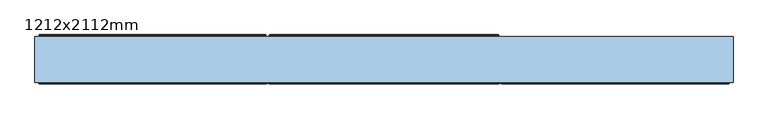
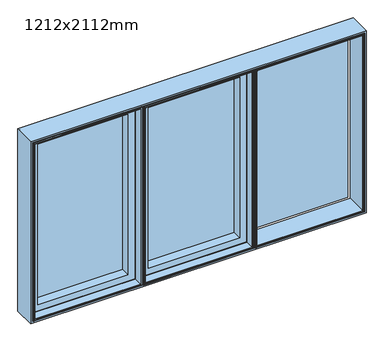
"""IFC4 building model written with IfcOpenShell, lengths in millimetres: window geometry, 1212x2112mm."""

from ifc_helpers import new_model, si_unit, frame, origin, place, context, project, spatial, polyline, ellipse_curve, outline, extrude, faceted_brep, source, transform, mapped, element, save
from ifc_brep_helpers import plane_surface, cylinder_surface, revolved_surface, advanced_brep


def window_1212x2112mm_27fde237(model_context):
    return source(origin(), model_context, "Body", "SolidModel", [
        advanced_brep(
        [(-347.0, 152.5000018, 1999.0), (-345.5000001, 154.0000016, 1997.5000001), (-345.5000001, 154.0000016, 814.4999999), (-347.0, 152.5000018, 813.0), (-347.0, 148.3866107, 813.0), (-347.0, 148.3866107, 1999.0), (-348.0, 148.3866107, 2000.0), (-348.0, 148.3866107, 812.0), (-348.0, 146.5000019, 812.0), (-348.0, 146.5000019, 2000.0), (-310.0, 146.5000019, 1962.0), (-310.0, 142.5000017, 1962.0), (-310.0, 142.5000017, 850.0), (-310.0, 146.5000019, 850.0), (-291.5192538, 147.4871074, 1943.5192538), (-291.4938789, 146.5000019, 1943.4938789), (-291.4938789, 146.5000019, 868.5061211), (-291.5192538, 147.4871074, 868.4807462), (-293.5962483, 148.7951832, 866.4037517), (-293.5962483, 148.7951832, 1945.5962483), (-294.0, 149.7544748, 866.0), (-294.0, 149.7544748, 1946.0), (-294.0, 153.0000016, 866.0), (-294.0, 153.0000016, 1946.0), (-294.5, 153.5000016, 865.5), (-294.5, 153.5000016, 1946.5), (-310.514074, 154.0000016, 1962.514074), (-309.8, 153.5000016, 1961.8), (-309.8, 153.5000016, 850.2), (-310.514074, 154.0000016, 849.485926), (345.5000001, 154.0000016, 814.4999999), (347.0, 152.5000018, 813.0), (347.0, 148.3866107, 813.0), (348.0, 148.3866107, 812.0), (348.0, 142.5000017, 812.0), (-348.0, 142.5000017, 812.0), (-348.0, 6.7000016, 812.0), (-356.0, 6.7000016, 812.0), (-356.0, 142.5000017, 812.0), (-1044.0, 142.5000017, 812.0), (-1044.0, 148.3866107, 812.0), (-356.0, 148.3866107, 812.0), (-356.0, 146.5000019, 812.0), (310.0, 142.5000017, 850.0), (310.0, 146.5000019, 850.0), (291.4938789, 146.5000019, 868.5061211), (291.5192538, 147.4871074, 868.4807462), (293.5962483, 148.7951832, 866.4037517), (294.0, 149.7544748, 866.0), (294.0, 153.0000016, 866.0), (294.5, 153.5000016, 865.5), (309.8, 153.5000016, 850.2), (310.514074, 154.0000016, 849.485926), (345.5000001, 154.0000016, 1997.5000001), (347.0, 152.5000018, 1999.0), (347.0, 148.3866107, 1999.0), (348.0, 148.3866107, 2000.0), (348.0, 142.5000017, 2000.0), (310.0, 142.5000017, 1962.0), (310.0, 146.5000019, 1962.0), (291.4938789, 146.5000019, 1943.4938789), (291.5192538, 147.4871074, 1943.5192538), (293.5962483, 148.7951832, 1945.5962483), (294.0, 149.7544748, 1946.0), (294.0, 153.0000016, 1946.0), (294.5, 153.5000016, 1946.5), (309.8, 153.5000016, 1961.8), (310.514074, 154.0000016, 1962.514074), (-356.0, 146.5000019, 2000.0), (-356.0, 148.3866107, 2000.0), (-1044.0, 148.3866107, 2000.0), (-1044.0, 142.5000017, 2000.0), (-356.0, 142.5000017, 2000.0), (-356.0, 6.7000016, 2000.0), (-348.0, 6.7000016, 2000.0), (-348.0, 142.5000017, 2000.0), (-1043.0, 152.5000018, 1999.0), (-1041.5000001, 154.0000016, 1997.5000001), (-1041.5000001, 154.0000016, 814.4999999), (-1043.0, 152.5000018, 813.0), (-1043.0, 148.3866107, 813.0), (-1043.0, 148.3866107, 1999.0), (-1006.0, 146.5000019, 1962.0), (-1006.0, 142.5000017, 1962.0), (-1006.0, 142.5000017, 850.0), (-1006.0, 146.5000019, 850.0), (-987.5192538, 147.4871074, 1943.5192538), (-987.4938789, 146.5000019, 1943.4938789), (-987.4938789, 146.5000019, 868.5061211), (-987.5192538, 147.4871074, 868.4807462), (-989.5962483, 148.7951832, 866.4037517), (-989.5962483, 148.7951832, 1945.5962483), (-990.0, 149.7544748, 866.0), (-990.0, 149.7544748, 1946.0), (-990.0, 153.0000016, 866.0), (-990.0, 153.0000016, 1946.0), (-990.5, 153.5000016, 865.5), (-990.5, 153.5000016, 1946.5), (-1006.514074, 154.0000016, 1962.514074), (-1005.8, 153.5000016, 1961.8), (-1005.8, 153.5000016, 850.2), (-1006.514074, 154.0000016, 849.485926), (-358.4999999, 154.0000016, 814.4999999), (-357.0, 152.5000018, 813.0), (-357.0, 148.3866107, 813.0), (-394.0, 142.5000017, 850.0), (-394.0, 146.5000019, 850.0), (-412.5061211, 146.5000019, 868.5061211), (-412.4807462, 147.4871074, 868.4807462), (-410.4037517, 148.7951832, 866.4037517), (-410.0, 149.7544748, 866.0), (-410.0, 153.0000016, 866.0), (-409.5, 153.5000016, 865.5), (-394.2, 153.5000016, 850.2), (-393.485926, 154.0000016, 849.485926), (-358.4999999, 154.0000016, 1997.5000001), (-357.0, 152.5000018, 1999.0), (-357.0, 148.3866107, 1999.0), (-394.0, 142.5000017, 1962.0), (-394.0, 146.5000019, 1962.0), (-412.5061211, 146.5000019, 1943.4938789), (-412.4807462, 147.4871074, 1943.5192538), (-410.4037517, 148.7951832, 1945.5962483), (-410.0, 149.7544748, 1946.0), (-410.0, 153.0000016, 1946.0), (-409.5, 153.5000016, 1946.5), (-394.2, 153.5000016, 1961.8), (-393.485926, 154.0000016, 1962.514074)],
        [
            (0, 1, ellipse_curve(frame((-345.5000001, 152.5000018, 1997.5000001), z_axis=(-0.7071067811865475, 0.0, -0.7071067811865475), x_axis=(-0.7071067811865474, 0.0, 0.7071067811865476)), 2.1213201, 1.4999998)),
            (1, 2),
            (2, 3, ellipse_curve(frame((-345.5000001, 152.5000018, 814.4999999), z_axis=(-0.7071067811865475, 0.0, 0.7071067811865475), x_axis=(0.7071067811865474, 0.0, 0.7071067811865476)), 2.1213201, 1.4999998)),
            (3, 0),
            (3, 4),
            (4, 5),
            (5, 0),
            (6, 7),
            (7, 8),
            (8, 9),
            (9, 6),
            (10, 11),
            (11, 12),
            (12, 13),
            (13, 10),
            (14, 15, ellipse_curve(frame((-291.4938789, 146.9938808, 1943.4938789), z_axis=(-0.7071067811865475, 0.0, -0.7071067811865475), x_axis=(-0.7071067811865474, 0.0, 0.7071067811865476)), 0.6984503, 0.4938789)),
            (15, 16),
            (16, 17, ellipse_curve(frame((-291.4938789, 146.9938808, 868.5061211), z_axis=(-0.7071067811865475, 0.0, 0.7071067811865475), x_axis=(0.7071067811865474, 0.0, 0.7071067811865476)), 0.6984503, 0.4938789)),
            (17, 14),
            (17, 18, ellipse_curve(frame((-291.6227187, 149.6258125, 868.3772813), z_axis=(0.7071067811865475, 0.0, -0.7071067811865475), x_axis=(-0.7071067811865474, 0.0, -0.7071067811865476)), 3.028123, 2.1412063)),
            (18, 19),
            (19, 14, ellipse_curve(frame((-291.6227187, 149.6258125, 1943.6227187), z_axis=(0.7071067811865475, 0.0, 0.7071067811865475), x_axis=(0.7071067811865474, 0.0, -0.7071067811865476)), 3.028123, 2.1412063)),
            (18, 20),
            (20, 21),
            (21, 19),
            (20, 22),
            (22, 23),
            (23, 21),
            (22, 24, ellipse_curve(frame((-294.5, 153.0000016, 865.5), z_axis=(-0.7071067811865475, 0.0, 0.7071067811865475), x_axis=(0.7071067811865474, 0.0, 0.7071067811865476)), 0.7071068, 0.5)),
            (24, 25),
            (25, 23, ellipse_curve(frame((-294.5, 153.0000016, 1946.5), z_axis=(-0.7071067811865475, 0.0, -0.7071067811865475), x_axis=(-0.7071067811865474, 0.0, 0.7071067811865476)), 0.7071068, 0.5)),
            (26, 27),
            (27, 28),
            (28, 29),
            (29, 26),
            (2, 30),
            (30, 31, ellipse_curve(frame((345.5000001, 152.5000018, 814.4999999), z_axis=(-0.7071067811865475, 0.0, -0.7071067811865475), x_axis=(-0.7071067811865476, 0.0, 0.7071067811865474)), 2.1213201, 1.4999998)),
            (31, 3),
            (31, 32),
            (32, 4),
            (7, 33),
            (33, 34),
            (34, 35),
            (35, 36),
            (36, 37),
            (37, 38),
            (38, 39),
            (39, 40),
            (40, 41),
            (41, 42),
            (42, 8),
            (12, 43),
            (43, 44),
            (44, 13),
            (16, 45),
            (45, 46, ellipse_curve(frame((291.4938789, 146.9938808, 868.5061211), z_axis=(-0.7071067811865475, 0.0, -0.7071067811865475), x_axis=(-0.7071067811865476, 0.0, 0.7071067811865474)), 0.6984503, 0.4938789)),
            (46, 17),
            (46, 47, ellipse_curve(frame((291.6227187, 149.6258125, 868.3772813), z_axis=(0.7071067811865475, 0.0, 0.7071067811865475), x_axis=(0.7071067811865476, 0.0, -0.7071067811865474)), 3.028123, 2.1412063)),
            (47, 18),
            (47, 48),
            (48, 20),
            (48, 49),
            (49, 22),
            (49, 50, ellipse_curve(frame((294.5, 153.0000016, 865.5), z_axis=(-0.7071067811865475, 0.0, -0.7071067811865475), x_axis=(-0.7071067811865476, 0.0, 0.7071067811865474)), 0.7071068, 0.5)),
            (50, 24),
            (28, 51),
            (51, 52),
            (52, 29),
            (30, 53),
            (53, 54, ellipse_curve(frame((345.5000001, 152.5000018, 1997.5000001), z_axis=(0.7071067811865475, 0.0, -0.7071067811865475), x_axis=(-0.7071067811865474, 0.0, -0.7071067811865476)), 2.1213201, 1.4999998)),
            (54, 31),
            (54, 55),
            (55, 32),
            (33, 56),
            (56, 57),
            (57, 34),
            (43, 58),
            (58, 59),
            (59, 44),
            (45, 60),
            (60, 61, ellipse_curve(frame((291.4938789, 146.9938808, 1943.4938789), z_axis=(0.7071067811865475, 0.0, -0.7071067811865475), x_axis=(-0.7071067811865474, 0.0, -0.7071067811865476)), 0.6984503, 0.4938789)),
            (61, 46),
            (61, 62, ellipse_curve(frame((291.6227187, 149.6258125, 1943.6227187), z_axis=(-0.7071067811865475, 0.0, 0.7071067811865475), x_axis=(0.7071067811865474, 0.0, 0.7071067811865476)), 3.028123, 2.1412063)),
            (62, 47),
            (62, 63),
            (63, 48),
            (63, 64),
            (64, 49),
            (64, 65, ellipse_curve(frame((294.5, 153.0000016, 1946.5), z_axis=(0.7071067811865475, 0.0, -0.7071067811865475), x_axis=(-0.7071067811865474, 0.0, -0.7071067811865476)), 0.7071068, 0.5)),
            (65, 50),
            (51, 66),
            (66, 67),
            (67, 52),
            (1, 53),
            (67, 26),
            (0, 54),
            (5, 55),
            (6, 56),
            (9, 68),
            (68, 69),
            (69, 70),
            (70, 71),
            (71, 72),
            (72, 73),
            (73, 74),
            (74, 75),
            (75, 57),
            (75, 35),
            (11, 58),
            (10, 59),
            (15, 60),
            (14, 61),
            (19, 62),
            (21, 63),
            (23, 64),
            (25, 65),
            (27, 66),
            (42, 68),
            (74, 36),
            (73, 37),
            (72, 38),
            (76, 77, ellipse_curve(frame((-1041.5000001, 152.5000018, 1997.5000001), z_axis=(-0.7071067811865475, 0.0, -0.7071067811865475), x_axis=(-0.7071067811865474, 0.0, 0.7071067811865476)), 2.1213201, 1.4999998)),
            (77, 78),
            (78, 79, ellipse_curve(frame((-1041.5000001, 152.5000018, 814.4999999), z_axis=(-0.7071067811865475, 0.0, 0.7071067811865475), x_axis=(0.7071067811865474, 0.0, 0.7071067811865476)), 2.1213201, 1.4999998)),
            (79, 76),
            (79, 80),
            (80, 81),
            (81, 76),
            (70, 40),
            (39, 71),
            (82, 83),
            (83, 84),
            (84, 85),
            (85, 82),
            (86, 87, ellipse_curve(frame((-987.4938789, 146.9938808, 1943.4938789), z_axis=(-0.7071067811865475, 0.0, -0.7071067811865475), x_axis=(-0.7071067811865474, 0.0, 0.7071067811865476)), 0.6984503, 0.4938789)),
            (87, 88),
            (88, 89, ellipse_curve(frame((-987.4938789, 146.9938808, 868.5061211), z_axis=(-0.7071067811865475, 0.0, 0.7071067811865475), x_axis=(0.7071067811865474, 0.0, 0.7071067811865476)), 0.6984503, 0.4938789)),
            (89, 86),
            (89, 90, ellipse_curve(frame((-987.6227187, 149.6258125, 868.3772813), z_axis=(0.7071067811865475, 0.0, -0.7071067811865475), x_axis=(-0.7071067811865474, 0.0, -0.7071067811865476)), 3.028123, 2.1412063)),
            (90, 91),
            (91, 86, ellipse_curve(frame((-987.6227187, 149.6258125, 1943.6227187), z_axis=(0.7071067811865475, 0.0, 0.7071067811865475), x_axis=(0.7071067811865474, 0.0, -0.7071067811865476)), 3.028123, 2.1412063)),
            (90, 92),
            (92, 93),
            (93, 91),
            (92, 94),
            (94, 95),
            (95, 93),
            (94, 96, ellipse_curve(frame((-990.5, 153.0000016, 865.5), z_axis=(-0.7071067811865475, 0.0, 0.7071067811865475), x_axis=(0.7071067811865474, 0.0, 0.7071067811865476)), 0.7071068, 0.5)),
            (96, 97),
            (97, 95, ellipse_curve(frame((-990.5, 153.0000016, 1946.5), z_axis=(-0.7071067811865475, 0.0, -0.7071067811865475), x_axis=(-0.7071067811865474, 0.0, 0.7071067811865476)), 0.7071068, 0.5)),
            (98, 99),
            (99, 100),
            (100, 101),
            (101, 98),
            (78, 102),
            (102, 103, ellipse_curve(frame((-358.4999999, 152.5000018, 814.4999999), z_axis=(-0.7071067811865475, 0.0, -0.7071067811865475), x_axis=(-0.7071067811865476, 0.0, 0.7071067811865474)), 2.1213201, 1.4999998)),
            (103, 79),
            (103, 104),
            (104, 80),
            (84, 105),
            (105, 106),
            (106, 85),
            (88, 107),
            (107, 108, ellipse_curve(frame((-412.5061211, 146.9938808, 868.5061211), z_axis=(-0.7071067811865475, 0.0, -0.7071067811865475), x_axis=(-0.7071067811865476, 0.0, 0.7071067811865474)), 0.6984503, 0.4938789)),
            (108, 89),
            (108, 109, ellipse_curve(frame((-412.3772813, 149.6258125, 868.3772813), z_axis=(0.7071067811865475, 0.0, 0.7071067811865475), x_axis=(0.7071067811865476, 0.0, -0.7071067811865474)), 3.028123, 2.1412063)),
            (109, 90),
            (109, 110),
            (110, 92),
            (110, 111),
            (111, 94),
            (111, 112, ellipse_curve(frame((-409.5, 153.0000016, 865.5), z_axis=(-0.7071067811865475, 0.0, -0.7071067811865475), x_axis=(-0.7071067811865476, 0.0, 0.7071067811865474)), 0.7071068, 0.5)),
            (112, 96),
            (100, 113),
            (113, 114),
            (114, 101),
            (102, 115),
            (115, 116, ellipse_curve(frame((-358.4999999, 152.5000018, 1997.5000001), z_axis=(0.7071067811865475, 0.0, -0.7071067811865475), x_axis=(-0.7071067811865474, 0.0, -0.7071067811865476)), 2.1213201, 1.4999998)),
            (116, 103),
            (116, 117),
            (117, 104),
            (41, 69),
            (105, 118),
            (118, 119),
            (119, 106),
            (107, 120),
            (120, 121, ellipse_curve(frame((-412.5061211, 146.9938808, 1943.4938789), z_axis=(0.7071067811865475, 0.0, -0.7071067811865475), x_axis=(-0.7071067811865474, 0.0, -0.7071067811865476)), 0.6984503, 0.4938789)),
            (121, 108),
            (121, 122, ellipse_curve(frame((-412.3772813, 149.6258125, 1943.6227187), z_axis=(-0.7071067811865475, 0.0, 0.7071067811865475), x_axis=(0.7071067811865474, 0.0, 0.7071067811865476)), 3.028123, 2.1412063)),
            (122, 109),
            (122, 123),
            (123, 110),
            (123, 124),
            (124, 111),
            (124, 125, ellipse_curve(frame((-409.5, 153.0000016, 1946.5), z_axis=(0.7071067811865475, 0.0, -0.7071067811865475), x_axis=(-0.7071067811865474, 0.0, -0.7071067811865476)), 0.7071068, 0.5)),
            (125, 112),
            (113, 126),
            (126, 127),
            (127, 114),
            (77, 115),
            (127, 98),
            (76, 116),
            (81, 117),
            (83, 118),
            (82, 119),
            (87, 120),
            (86, 121),
            (91, 122),
            (93, 123),
            (95, 124),
            (97, 125),
            (99, 126),
        ],
        [
            cylinder_surface(frame((-345.5000001, 152.5000018, 2000.0), z_axis=(0.0, 0.0, 1.0), x_axis=(1.0, 0.0, 0.0)), 1.4999998),
            plane_surface(frame((-347.0, 152.5000018, 1999.0), z_axis=(-1.0, 0.0, 0.0), x_axis=(0.0, 0.0, -1.0))),
            plane_surface(frame((-348.0, 148.3866107, 2000.0), z_axis=(-1.0, 0.0, 0.0), x_axis=(0.0, 0.0, -1.0))),
            plane_surface(frame((-310.0, 142.5000017, 1962.0), z_axis=(1.0, 0.0, 0.0), x_axis=(0.0, 0.0, -1.0))),
            cylinder_surface(frame((-291.4938789, 146.9938808, 2000.0), z_axis=(0.0, 0.0, 1.0), x_axis=(1.0, 0.0, 0.0)), 0.4938789),
            revolved_surface(polyline([(-289.4815124, 149.6258125, 866.236074992433), (-289.4815124, 149.6258125, 1945.763925007567)]), (-291.6227187, 149.6258125, 2000.0), (0.0, 0.0, -1.0)),
            plane_surface(frame((-293.5962483, 148.7951832, 1945.5962483), z_axis=(0.9216905703602153, 0.3879258853299959, 0.0), x_axis=(0.0, 0.0, -1.0))),
            plane_surface(frame((-294.0, 149.7544748, 1946.0), z_axis=(1.0, 0.0, 0.0), x_axis=(0.0, 0.0, -1.0))),
            cylinder_surface(frame((-294.5, 153.0000016, 2000.0), z_axis=(0.0, 0.0, 1.0), x_axis=(1.0, 0.0, 0.0)), 0.5),
            plane_surface(frame((-309.8, 153.5000016, 1961.8), z_axis=(0.5735764363510223, 0.8191520442890085, 0.0), x_axis=(0.0, 0.0, -1.0))),
            cylinder_surface(frame((-348.0, 152.5000018, 814.4999999), z_axis=(-1.0, 0.0, 0.0), x_axis=(0.0, 0.0, 1.0)), 1.4999998),
            plane_surface(frame((-347.0, 152.5000018, 813.0), z_axis=(0.0, 0.0, -1.0), x_axis=(1.0, 0.0, 0.0))),
            plane_surface(frame((-348.0, 148.3866107, 812.0), z_axis=(0.0, 0.0, -1.0), x_axis=(1.0, 0.0, 0.0))),
            plane_surface(frame((-310.0, 142.5000017, 850.0), z_axis=(0.0, 0.0, 1.0), x_axis=(1.0, 0.0, 0.0))),
            cylinder_surface(frame((-348.0, 146.9938808, 868.5061211), z_axis=(-1.0, 0.0, 0.0), x_axis=(0.0, 0.0, 1.0)), 0.4938789),
            revolved_surface(polyline([(293.76392500756685, 149.6258125, 870.5184876000001), (-293.76392500756697, 149.6258125, 870.5184876000001)]), (-348.0, 149.6258125, 868.3772813), (1.0, 0.0, 0.0)),
            plane_surface(frame((-293.5962483, 148.7951832, 866.4037517), z_axis=(0.0, 0.38792588532999883, 0.9216905703602141), x_axis=(1.0, 0.0, 0.0))),
            plane_surface(frame((-294.0, 149.7544748, 866.0), z_axis=(0.0, 0.0, 1.0), x_axis=(1.0, 0.0, 0.0))),
            cylinder_surface(frame((-348.0, 153.0000016, 865.5), z_axis=(-1.0, 0.0, 0.0), x_axis=(0.0, 0.0, 1.0)), 0.5),
            plane_surface(frame((-309.8, 153.5000016, 850.2), z_axis=(0.0, 0.8191520442890103, 0.5735764363510196), x_axis=(1.0, 0.0, 0.0))),
            cylinder_surface(frame((345.5000001, 152.5000018, 812.0), z_axis=(0.0, 0.0, -1.0), x_axis=(-1.0, 0.0, 0.0)), 1.4999998),
            plane_surface(frame((347.0, 152.5000018, 813.0), z_axis=(1.0, 0.0, 0.0), x_axis=(0.0, 0.0, 1.0))),
            plane_surface(frame((348.0, 148.3866107, 812.0), z_axis=(1.0, 0.0, 0.0), x_axis=(0.0, 0.0, 1.0))),
            plane_surface(frame((310.0, 142.5000017, 850.0), z_axis=(-1.0, 0.0, 0.0), x_axis=(0.0, 0.0, 1.0))),
            cylinder_surface(frame((291.4938789, 146.9938808, 812.0), z_axis=(0.0, 0.0, -1.0), x_axis=(-1.0, 0.0, 0.0)), 0.4938789),
            revolved_surface(polyline([(289.4815124, 149.6258125, 1945.763925007567), (289.4815124, 149.6258125, 866.2360749924331)]), (291.6227187, 149.6258125, 812.0), (0.0, 0.0, 1.0)),
            plane_surface(frame((293.5962483, 148.7951832, 866.4037517), z_axis=(-0.9216905703602128, 0.3879258853300018, 0.0), x_axis=(0.0, 0.0, 1.0))),
            plane_surface(frame((294.0, 149.7544748, 866.0), z_axis=(-1.0, 0.0, 0.0), x_axis=(0.0, 0.0, 1.0))),
            cylinder_surface(frame((294.5, 153.0000016, 812.0), z_axis=(0.0, 0.0, -1.0), x_axis=(-1.0, 0.0, 0.0)), 0.5),
            plane_surface(frame((309.8, 153.5000016, 850.2), z_axis=(-0.573576436351017, 0.8191520442890122, 0.0), x_axis=(0.0, 0.0, 1.0))),
            plane_surface(frame((310.514074, 154.0000016, 1962.514074), z_axis=(0.0, 1.0, 0.0), x_axis=(-1.0, 0.0, 0.0))),
            cylinder_surface(frame((348.0, 152.5000018, 1997.5000001), z_axis=(1.0, 0.0, 0.0), x_axis=(0.0, 0.0, -1.0)), 1.4999998),
            plane_surface(frame((347.0, 152.5000018, 1999.0), z_axis=(0.0, 0.0, 1.0), x_axis=(-1.0, 0.0, 0.0))),
            plane_surface(frame((347.0, 148.3866107, 1999.0), z_axis=(0.0, 1.0, 0.0), x_axis=(-1.0, 0.0, 0.0))),
            plane_surface(frame((348.0, 148.3866107, 2000.0), z_axis=(0.0, 0.0, 1.0), x_axis=(-1.0, 0.0, 0.0))),
            plane_surface(frame((348.0, 142.5000017, 2000.0), z_axis=(0.0, -1.0, 0.0), x_axis=(-1.0, 0.0, 0.0))),
            plane_surface(frame((310.0, 142.5000017, 1962.0), z_axis=(0.0, 0.0, -1.0), x_axis=(-1.0, 0.0, 0.0))),
            plane_surface(frame((310.0, 146.5000019, 1962.0), z_axis=(0.0, -1.0, 0.0), x_axis=(-1.0, 0.0, 0.0))),
            cylinder_surface(frame((348.0, 146.9938808, 1943.4938789), z_axis=(1.0, 0.0, 0.0), x_axis=(0.0, 0.0, -1.0)), 0.4938789),
            revolved_surface(polyline([(-293.76392500756685, 149.6258125, 1941.4815124), (293.76392500756697, 149.6258125, 1941.4815124)]), (348.0, 149.6258125, 1943.6227187), (-1.0, 0.0, 0.0)),
            plane_surface(frame((293.5962483, 148.7951832, 1945.5962483), z_axis=(0.0, 0.38792588532999883, -0.9216905703602141), x_axis=(-1.0, 0.0, 0.0))),
            plane_surface(frame((294.0, 149.7544748, 1946.0), z_axis=(0.0, 0.0, -1.0), x_axis=(-1.0, 0.0, 0.0))),
            cylinder_surface(frame((348.0, 153.0000016, 1946.5), z_axis=(1.0, 0.0, 0.0), x_axis=(0.0, 0.0, -1.0)), 0.5),
            plane_surface(frame((294.5, 153.5000016, 1946.5), z_axis=(0.0, 1.0, 0.0), x_axis=(-1.0, 0.0, 0.0))),
            plane_surface(frame((309.8, 153.5000016, 1961.8), z_axis=(0.0, 0.8191520442890103, -0.5735764363510196), x_axis=(-1.0, 0.0, 0.0))),
            plane_surface(frame((-348.0, 146.5000019, 2000.0), z_axis=(0.0, 1.0, 0.0), x_axis=(0.0, 0.0, -1.0))),
            plane_surface(frame((-348.0, 6.7000016, 2000.0), z_axis=(1.0, 0.0, 0.0), x_axis=(0.0, 0.0, -1.0))),
            plane_surface(frame((-356.0, 6.7000016, 2000.0), z_axis=(0.0, -1.0, 0.0), x_axis=(0.0, 0.0, -1.0))),
            plane_surface(frame((-356.0, 146.5000019, 2000.0), z_axis=(-1.0, 0.0, 0.0), x_axis=(0.0, 0.0, -1.0))),
            cylinder_surface(frame((-1041.5000001, 152.5000018, 2000.0), z_axis=(0.0, 0.0, 1.0), x_axis=(1.0, 0.0, 0.0)), 1.4999998),
            plane_surface(frame((-1043.0, 152.5000018, 1999.0), z_axis=(-1.0, 0.0, 0.0), x_axis=(0.0, 0.0, -1.0))),
            plane_surface(frame((-1044.0, 148.3866107, 2000.0), z_axis=(-1.0, 0.0, 0.0), x_axis=(0.0, 0.0, -1.0))),
            plane_surface(frame((-1006.0, 142.5000017, 1962.0), z_axis=(1.0, 0.0, 0.0), x_axis=(0.0, 0.0, -1.0))),
            cylinder_surface(frame((-987.4938789, 146.9938808, 2000.0), z_axis=(0.0, 0.0, 1.0), x_axis=(1.0, 0.0, 0.0)), 0.4938789),
            revolved_surface(polyline([(-985.4815123999999, 149.6258125, 866.236074992433), (-985.4815123999999, 149.6258125, 1945.763925007567)]), (-987.6227187, 149.6258125, 2000.0), (0.0, 0.0, -1.0)),
            plane_surface(frame((-989.5962483, 148.7951832, 1945.5962483), z_axis=(0.9216905703601884, 0.38792588533005984, 0.0), x_axis=(0.0, 0.0, -1.0))),
            plane_surface(frame((-990.0, 149.7544748, 1946.0), z_axis=(1.0, 0.0, 0.0), x_axis=(0.0, 0.0, -1.0))),
            cylinder_surface(frame((-990.5, 153.0000016, 2000.0), z_axis=(0.0, 0.0, 1.0), x_axis=(1.0, 0.0, 0.0)), 0.5),
            plane_surface(frame((-1005.8, 153.5000016, 1961.8), z_axis=(0.5735764363510224, 0.8191520442890083, 0.0), x_axis=(0.0, 0.0, -1.0))),
            cylinder_surface(frame((-1044.0, 152.5000018, 814.4999999), z_axis=(-1.0, 0.0, 0.0), x_axis=(0.0, 0.0, 1.0)), 1.4999998),
            plane_surface(frame((-1043.0, 152.5000018, 813.0), z_axis=(0.0, 0.0, -1.0), x_axis=(1.0, 0.0, 0.0))),
            plane_surface(frame((-1006.0, 142.5000017, 850.0), z_axis=(0.0, 0.0, 1.0), x_axis=(1.0, 0.0, 0.0))),
            cylinder_surface(frame((-1044.0, 146.9938808, 868.5061211), z_axis=(-1.0, 0.0, 0.0), x_axis=(0.0, 0.0, 1.0)), 0.4938789),
            revolved_surface(polyline([(-410.23607499243315, 149.6258125, 870.5184876000001), (-989.7639250075669, 149.6258125, 870.5184876000001)]), (-1044.0, 149.6258125, 868.3772813), (1.0, 0.0, 0.0)),
            plane_surface(frame((-989.5962483, 148.7951832, 866.4037517), z_axis=(0.0, 0.38792588533006284, 0.9216905703601872), x_axis=(1.0, 0.0, 0.0))),
            plane_surface(frame((-990.0, 149.7544748, 866.0), z_axis=(0.0, 0.0, 1.0), x_axis=(1.0, 0.0, 0.0))),
            cylinder_surface(frame((-1044.0, 153.0000016, 865.5), z_axis=(-1.0, 0.0, 0.0), x_axis=(0.0, 0.0, 1.0)), 0.5),
            plane_surface(frame((-1005.8, 153.5000016, 850.2), z_axis=(0.0, 0.8191520442890102, 0.5735764363510197), x_axis=(1.0, 0.0, 0.0))),
            cylinder_surface(frame((-358.4999999, 152.5000018, 812.0), z_axis=(0.0, 0.0, -1.0), x_axis=(-1.0, 0.0, 0.0)), 1.4999998),
            plane_surface(frame((-357.0, 152.5000018, 813.0), z_axis=(1.0, 0.0, 0.0), x_axis=(0.0, 0.0, 1.0))),
            plane_surface(frame((-356.0, 148.3866107, 812.0), z_axis=(1.0, 0.0, 0.0), x_axis=(0.0, 0.0, 1.0))),
            plane_surface(frame((-394.0, 142.5000017, 850.0), z_axis=(-1.0, 0.0, 0.0), x_axis=(0.0, 0.0, 1.0))),
            cylinder_surface(frame((-412.5061211, 146.9938808, 812.0), z_axis=(0.0, 0.0, -1.0), x_axis=(-1.0, 0.0, 0.0)), 0.4938789),
            revolved_surface(polyline([(-414.5184876, 149.6258125, 1945.763925007567), (-414.5184876, 149.6258125, 866.2360749924331)]), (-412.3772813, 149.6258125, 812.0), (0.0, 0.0, 1.0)),
            plane_surface(frame((-410.4037517, 148.7951832, 866.4037517), z_axis=(-0.9216905703601859, 0.3879258853300658, 0.0), x_axis=(0.0, 0.0, 1.0))),
            plane_surface(frame((-410.0, 149.7544748, 866.0), z_axis=(-1.0, 0.0, 0.0), x_axis=(0.0, 0.0, 1.0))),
            cylinder_surface(frame((-409.5, 153.0000016, 812.0), z_axis=(0.0, 0.0, -1.0), x_axis=(-1.0, 0.0, 0.0)), 0.5),
            plane_surface(frame((-394.2, 153.5000016, 850.2), z_axis=(-0.5735764363510171, 0.8191520442890121, 0.0), x_axis=(0.0, 0.0, 1.0))),
            plane_surface(frame((-393.485926, 154.0000016, 1962.514074), z_axis=(0.0, 1.0, 0.0), x_axis=(-1.0, 0.0, 0.0))),
            cylinder_surface(frame((-356.0, 152.5000018, 1997.5000001), z_axis=(1.0, 0.0, 0.0), x_axis=(0.0, 0.0, -1.0)), 1.4999998),
            plane_surface(frame((-357.0, 152.5000018, 1999.0), z_axis=(0.0, 0.0, 1.0), x_axis=(-1.0, 0.0, 0.0))),
            plane_surface(frame((-357.0, 148.3866107, 1999.0), z_axis=(0.0, 1.0, 0.0), x_axis=(-1.0, 0.0, 0.0))),
            plane_surface(frame((-356.0, 142.5000017, 2000.0), z_axis=(0.0, -1.0, 0.0), x_axis=(-1.0, 0.0, 0.0))),
            plane_surface(frame((-394.0, 142.5000017, 1962.0), z_axis=(0.0, 0.0, -1.0), x_axis=(-1.0, 0.0, 0.0))),
            plane_surface(frame((-394.0, 146.5000019, 1962.0), z_axis=(0.0, -1.0, 0.0), x_axis=(-1.0, 0.0, 0.0))),
            cylinder_surface(frame((-356.0, 146.9938808, 1943.4938789), z_axis=(1.0, 0.0, 0.0), x_axis=(0.0, 0.0, -1.0)), 0.4938789),
            revolved_surface(polyline([(-989.7639250075669, 149.6258125, 1941.4815124), (-410.23607499243303, 149.6258125, 1941.4815124)]), (-356.0, 149.6258125, 1943.6227187), (-1.0, 0.0, 0.0)),
            plane_surface(frame((-410.4037517, 148.7951832, 1945.5962483), z_axis=(0.0, 0.3879258853300628, -0.9216905703601871), x_axis=(-1.0, 0.0, 0.0))),
            plane_surface(frame((-410.0, 149.7544748, 1946.0), z_axis=(0.0, 0.0, -1.0), x_axis=(-1.0, 0.0, 0.0))),
            cylinder_surface(frame((-356.0, 153.0000016, 1946.5), z_axis=(1.0, 0.0, 0.0), x_axis=(0.0, 0.0, -1.0)), 0.5),
            plane_surface(frame((-409.5, 153.5000016, 1946.5), z_axis=(0.0, 1.0, 0.0), x_axis=(-1.0, 0.0, 0.0))),
            plane_surface(frame((-394.2, 153.5000016, 1961.8), z_axis=(0.0, 0.8191520442890102, -0.5735764363510197), x_axis=(-1.0, 0.0, 0.0))),
        ],
        [
            (0, [[1, 2, 3, 4]]),
            (1, [[-4, 5, 6, 7]]),
            (2, [[8, 9, 10, 11]]),
            (3, [[12, 13, 14, 15]]),
            (4, [[16, 17, 18, 19]]),
            (5, [[-19, 20, 21, 22]]),
            (6, [[-21, 23, 24, 25]]),
            (7, [[-24, 26, 27, 28]]),
            (8, [[-27, 29, 30, 31]]),
            (9, [[32, 33, 34, 35]]),
            (10, [[-3, 36, 37, 38]]),
            (11, [[-5, -38, 39, 40]]),
            (12, [[41, 42, 43, 44, 45, 46, 47, 48, 49, 50, 51, -9]]),
            (13, [[-14, 52, 53, 54]]),
            (14, [[-18, 55, 56, 57]]),
            (15, [[-20, -57, 58, 59]]),
            (16, [[-23, -59, 60, 61]]),
            (17, [[-26, -61, 62, 63]]),
            (18, [[-29, -63, 64, 65]]),
            (19, [[-34, 66, 67, 68]]),
            (20, [[-37, 69, 70, 71]]),
            (21, [[-39, -71, 72, 73]]),
            (22, [[-42, 74, 75, 76]]),
            (23, [[-53, 77, 78, 79]]),
            (24, [[-56, 80, 81, 82]]),
            (25, [[-58, -82, 83, 84]]),
            (26, [[-60, -84, 85, 86]]),
            (27, [[-62, -86, 87, 88]]),
            (28, [[-64, -88, 89, 90]]),
            (29, [[-67, 91, 92, 93]]),
            (30, [[-2, 94, -69, -36], [-35, -68, -93, 95]]),
            (31, [[-1, 96, -70, -94]]),
            (32, [[-7, 97, -72, -96]]),
            (33, [[-8, 98, -74, -41], [-6, -40, -73, -97]]),
            (34, [[-75, -98, -11, 99, 100, 101, 102, 103, 104, 105, 106, 107]]),
            (35, [[-43, -76, -107, 108], [-13, 109, -77, -52]]),
            (36, [[-12, 110, -78, -109]]),
            (37, [[-15, -54, -79, -110], [-17, 111, -80, -55]]),
            (38, [[-16, 112, -81, -111]]),
            (39, [[-22, 113, -83, -112]]),
            (40, [[-25, 114, -85, -113]]),
            (41, [[-28, 115, -87, -114]]),
            (42, [[-31, 116, -89, -115]]),
            (43, [[-33, 117, -91, -66], [-30, -65, -90, -116]]),
            (44, [[-32, -95, -92, -117]]),
            (45, [[-99, -10, -51, 118]]),
            (46, [[119, -44, -108, -106]]),
            (47, [[-105, 120, -45, -119]]),
            (48, [[-120, -104, 121, -46]]),
            (49, [[122, 123, 124, 125]]),
            (50, [[-125, 126, 127, 128]]),
            (51, [[-102, 129, -48, 130]]),
            (52, [[131, 132, 133, 134]]),
            (53, [[135, 136, 137, 138]]),
            (54, [[-138, 139, 140, 141]]),
            (55, [[-140, 142, 143, 144]]),
            (56, [[-143, 145, 146, 147]]),
            (57, [[-146, 148, 149, 150]]),
            (58, [[151, 152, 153, 154]]),
            (59, [[-124, 155, 156, 157]]),
            (60, [[-126, -157, 158, 159]]),
            (61, [[-133, 160, 161, 162]]),
            (62, [[-137, 163, 164, 165]]),
            (63, [[-139, -165, 166, 167]]),
            (64, [[-142, -167, 168, 169]]),
            (65, [[-145, -169, 170, 171]]),
            (66, [[-148, -171, 172, 173]]),
            (67, [[-153, 174, 175, 176]]),
            (68, [[-156, 177, 178, 179]]),
            (69, [[-158, -179, 180, 181]]),
            (70, [[182, -100, -118, -50]]),
            (71, [[-161, 183, 184, 185]]),
            (72, [[-164, 186, 187, 188]]),
            (73, [[-166, -188, 189, 190]]),
            (74, [[-168, -190, 191, 192]]),
            (75, [[-170, -192, 193, 194]]),
            (76, [[-172, -194, 195, 196]]),
            (77, [[-175, 197, 198, 199]]),
            (78, [[-123, 200, -177, -155], [-154, -176, -199, 201]]),
            (79, [[-122, 202, -178, -200]]),
            (80, [[-128, 203, -180, -202]]),
            (81, [[-129, -101, -182, -49], [-127, -159, -181, -203]]),
            (82, [[-130, -47, -121, -103], [-132, 204, -183, -160]]),
            (83, [[-131, 205, -184, -204]]),
            (84, [[-134, -162, -185, -205], [-136, 206, -186, -163]]),
            (85, [[-135, 207, -187, -206]]),
            (86, [[-141, 208, -189, -207]]),
            (87, [[-144, 209, -191, -208]]),
            (88, [[-147, 210, -193, -209]]),
            (89, [[-150, 211, -195, -210]]),
            (90, [[-152, 212, -197, -174], [-149, -173, -196, -211]]),
            (91, [[-151, -201, -198, -212]]),
        ],
    ),
        extrude(outline(polyline([(-1002.0, 118.5000018), (-1002.0, 146.5000018), (-398.0, 146.5000018), (-398.0, 118.5000018), (-1002.0, 118.5000018)])), frame((0.0, 0.0, 854.0), z_axis=(0.0, 0.0, 1.0), x_axis=(1.0, 0.0, 0.0)), (0.0, 0.0, 1.0), 1104.0),
        advanced_brep(
        [(-1034.0, 6.5000015, 1990.0), (-1035.5, 5.0000015, 1991.5), (-1035.5, 5.0000015, 821.5), (-1034.0, 6.5000015, 823.0), (-1034.0, 142.5000017, 1990.0), (-1034.0, 142.5000017, 823.0), (-1044.0, 6.5000015, 2000.0), (-1044.0, 142.5000017, 2000.0), (-1044.0, 142.5000017, 813.0), (-1044.0, 6.5000015, 813.0), (-1042.5, 5.0000015, 1998.5), (-1042.5, 5.0000015, 814.5), (-364.5, 5.0000015, 821.5), (-366.0, 6.5000015, 823.0), (-366.0, 142.5000017, 823.0), (-356.0, 142.5000017, 813.0), (-356.0, 6.5000015, 813.0), (-357.5, 5.0000015, 814.5), (-364.5, 5.0000015, 1991.5), (-366.0, 6.5000015, 1990.0), (-366.0, 142.5000017, 1990.0), (-356.0, 142.5000017, 2000.0), (-356.0, 6.5000015, 2000.0), (-357.5, 5.0000015, 1998.5)],
        [
            (0, 1, ellipse_curve(frame((-1035.5, 6.5000015, 1991.5), z_axis=(-0.7071067811865475, 0.0, -0.7071067811865475), x_axis=(-0.7071067811865474, 0.0, 0.7071067811865476)), 2.1213203, 1.5)),
            (1, 2),
            (2, 3, ellipse_curve(frame((-1035.5, 6.5000015, 821.5), z_axis=(-0.7071067811865475, 0.0, 0.7071067811865475), x_axis=(0.7071067811865474, 0.0, 0.7071067811865476)), 2.1213203, 1.5)),
            (3, 0),
            (4, 0),
            (3, 5),
            (5, 4),
            (6, 7),
            (7, 8),
            (8, 9),
            (9, 6),
            (10, 6, ellipse_curve(frame((-1042.5, 6.5000015, 1998.5), z_axis=(-0.7071067811865475, 0.0, -0.7071067811865475), x_axis=(-0.7071067811865474, 0.0, 0.7071067811865476)), 2.1213203, 1.5)),
            (9, 11, ellipse_curve(frame((-1042.5, 6.5000015, 814.5), z_axis=(-0.7071067811865475, 0.0, 0.7071067811865475), x_axis=(0.7071067811865474, 0.0, 0.7071067811865476)), 2.1213203, 1.5)),
            (11, 10),
            (2, 12),
            (12, 13, ellipse_curve(frame((-364.5, 6.5000015, 821.5), z_axis=(-0.7071067811865475, 0.0, -0.7071067811865475), x_axis=(-0.7071067811865476, 0.0, 0.7071067811865474)), 2.1213203, 1.5)),
            (13, 3),
            (13, 14),
            (14, 5),
            (8, 15),
            (15, 16),
            (16, 9),
            (16, 17, ellipse_curve(frame((-357.5, 6.5000015, 814.5), z_axis=(-0.7071067811865475, 0.0, -0.7071067811865475), x_axis=(-0.7071067811865476, 0.0, 0.7071067811865474)), 2.1213203, 1.5)),
            (17, 11),
            (12, 18),
            (18, 19, ellipse_curve(frame((-364.5, 6.5000015, 1991.5), z_axis=(0.7071067811865475, 0.0, -0.7071067811865475), x_axis=(-0.7071067811865474, 0.0, -0.7071067811865476)), 2.1213203, 1.5)),
            (19, 13),
            (19, 20),
            (20, 14),
            (15, 21),
            (21, 22),
            (22, 16),
            (22, 23, ellipse_curve(frame((-357.5, 6.5000015, 1998.5), z_axis=(0.7071067811865475, 0.0, -0.7071067811865475), x_axis=(-0.7071067811865474, 0.0, -0.7071067811865476)), 2.1213203, 1.5)),
            (23, 17),
            (18, 1),
            (0, 19),
            (4, 20),
            (7, 21),
            (6, 22),
            (10, 23),
        ],
        [
            cylinder_surface(frame((-1035.5, 6.5000015, 2000.0), z_axis=(0.0, 0.0, 1.0), x_axis=(1.0, 0.0, 0.0)), 1.5),
            plane_surface(frame((-1034.0, 6.5000015, 1990.0), z_axis=(1.0, 0.0, 0.0), x_axis=(0.0, 0.0, -1.0))),
            plane_surface(frame((-1044.0, 142.5000017, 2000.0), z_axis=(-1.0, 0.0, 0.0), x_axis=(0.0, 0.0, -1.0))),
            cylinder_surface(frame((-1042.5, 6.5000015, 2000.0), z_axis=(0.0, 0.0, 1.0), x_axis=(1.0, 0.0, 0.0)), 1.5),
            cylinder_surface(frame((-1044.0, 6.5000015, 821.5), z_axis=(-1.0, 0.0, 0.0), x_axis=(0.0, 0.0, 1.0)), 1.5),
            plane_surface(frame((-1034.0, 6.5000015, 823.0), z_axis=(0.0, 0.0, 1.0), x_axis=(1.0, 0.0, 0.0))),
            plane_surface(frame((-1044.0, 142.5000017, 813.0), z_axis=(0.0, 0.0, -1.0), x_axis=(1.0, 0.0, 0.0))),
            cylinder_surface(frame((-1044.0, 6.5000015, 814.5), z_axis=(-1.0, 0.0, 0.0), x_axis=(0.0, 0.0, 1.0)), 1.5),
            cylinder_surface(frame((-364.5, 6.5000015, 813.0), z_axis=(0.0, 0.0, -1.0), x_axis=(-1.0, 0.0, 0.0)), 1.5),
            plane_surface(frame((-366.0, 6.5000015, 823.0), z_axis=(-1.0, 0.0, 0.0), x_axis=(0.0, 0.0, 1.0))),
            plane_surface(frame((-356.0, 142.5000017, 813.0), z_axis=(1.0, 0.0, 0.0), x_axis=(0.0, 0.0, 1.0))),
            cylinder_surface(frame((-357.5, 6.5000015, 813.0), z_axis=(0.0, 0.0, -1.0), x_axis=(-1.0, 0.0, 0.0)), 1.5),
            cylinder_surface(frame((-356.0, 6.5000015, 1991.5), z_axis=(1.0, 0.0, 0.0), x_axis=(0.0, 0.0, -1.0)), 1.5),
            plane_surface(frame((-366.0, 6.5000015, 1990.0), z_axis=(0.0, 0.0, -1.0), x_axis=(-1.0, 0.0, 0.0))),
            plane_surface(frame((-366.0, 142.5000017, 1990.0), z_axis=(0.0, 1.0, 0.0), x_axis=(-1.0, 0.0, 0.0))),
            plane_surface(frame((-356.0, 142.5000017, 2000.0), z_axis=(0.0, 0.0, 1.0), x_axis=(-1.0, 0.0, 0.0))),
            cylinder_surface(frame((-356.0, 6.5000015, 1998.5), z_axis=(1.0, 0.0, 0.0), x_axis=(0.0, 0.0, -1.0)), 1.5),
            plane_surface(frame((-357.5, 5.0000015, 1998.5), z_axis=(0.0, -1.0, 0.0), x_axis=(-1.0, 0.0, 0.0))),
        ],
        [
            (0, [[1, 2, 3, 4]]),
            (1, [[5, -4, 6, 7]]),
            (2, [[8, 9, 10, 11]]),
            (3, [[12, -11, 13, 14]]),
            (4, [[-3, 15, 16, 17]]),
            (5, [[-6, -17, 18, 19]]),
            (6, [[-10, 20, 21, 22]]),
            (7, [[-13, -22, 23, 24]]),
            (8, [[-16, 25, 26, 27]]),
            (9, [[-18, -27, 28, 29]]),
            (10, [[-21, 30, 31, 32]]),
            (11, [[-23, -32, 33, 34]]),
            (12, [[-26, 35, -1, 36]]),
            (13, [[-28, -36, -5, 37]]),
            (14, [[38, -30, -20, -9], [-19, -29, -37, -7]]),
            (15, [[-31, -38, -8, 39]]),
            (16, [[-33, -39, -12, 40]]),
            (17, [[-24, -34, -40, -14], [-35, -25, -15, -2]]),
        ],
    ),
        faceted_brep([(-1006.0, 142.5000017, 1962.0), (-1006.0, 118.5000018, 1962.0), (-1006.0, 118.5000018, 850.0), (-1006.0, 142.5000017, 850.0), (-1034.0, 63.3258286, 1990.0), (-1034.0, 142.5000017, 1990.0), (-1034.0, 142.5000017, 822.0), (-1034.0, 63.3258286, 822.0), (-1027.2, 59.5000018, 1983.2), (-1027.2, 63.3258286, 1983.2), (-1027.2, 63.3258286, 828.8), (-1027.2, 59.5000018, 828.8), (-984.0, 118.5000018, 1940.0), (-984.0, 59.5000018, 1940.0), (-984.0, 59.5000018, 872.0), (-984.0, 118.5000018, 872.0), (-394.0, 118.5000018, 850.0), (-394.0, 142.5000017, 850.0), (-366.0, 142.5000017, 822.0), (-366.0, 63.3258286, 822.0), (-372.8, 63.3258286, 828.8), (-372.8, 59.5000018, 828.8), (-416.0, 59.5000018, 872.0), (-416.0, 118.5000018, 872.0), (-394.0, 118.5000018, 1962.0), (-394.0, 142.5000017, 1962.0), (-366.0, 142.5000017, 1990.0), (-366.0, 63.3258286, 1990.0), (-372.8, 63.3258286, 1983.2), (-372.8, 59.5000018, 1983.2), (-416.0, 59.5000018, 1940.0), (-416.0, 118.5000018, 1940.0)], [[[0, 1, 2, 3]], [[4, 5, 6, 7]], [[8, 9, 10, 11]], [[12, 13, 14, 15]], [[3, 2, 16, 17]], [[7, 6, 18, 19]], [[11, 10, 20, 21]], [[15, 14, 22, 23]], [[17, 16, 24, 25]], [[19, 18, 26, 27]], [[21, 20, 28, 29]], [[23, 22, 30, 31]], [[25, 24, 1, 0]], [[5, 26, 18, 6], [3, 17, 25, 0]], [[27, 26, 5, 4]], [[7, 19, 27, 4], [9, 28, 20, 10]], [[29, 28, 9, 8]], [[11, 21, 29, 8], [13, 30, 22, 14]], [[31, 30, 13, 12]], [[1, 24, 16, 2], [15, 23, 31, 12]]]),
        advanced_brep(
        [(356.0, 146.5000019, 2000.0), (348.0, 146.5000019, 2000.0), (348.0, 142.5000017, 2000.0), (-348.0, 142.5000017, 2000.0), (-348.0, 6.5000015, 2000.0), (348.0, 6.5000015, 2000.0), (348.0, 6.7000016, 2000.0), (356.0, 6.7000016, 2000.0), (356.0, 6.5000014, 2000.0), (1044.0, 6.5000014, 2000.0), (1044.0, 142.5000016, 2000.0), (356.0, 142.5000016, 2000.0), (356.0, 6.7000016, 812.0), (348.0, 6.7000016, 812.0), (348.0, 6.5000015, 812.0), (-348.0, 6.5000015, 812.0), (-348.0, 142.5000017, 812.0), (348.0, 142.5000017, 812.0), (348.0, 146.5000019, 812.0), (356.0, 146.5000019, 812.0), (356.0, 142.5000016, 812.0), (1044.0, 142.5000016, 812.0), (1044.0, 6.5000014, 812.0), (356.0, 6.5000014, 812.0), (366.0, 6.5000014, 1990.0), (364.5, 5.0000014, 1991.5), (364.5, 5.0000014, 820.5), (366.0, 6.5000014, 822.0), (366.0, 142.5000016, 822.0), (366.0, 142.5000016, 1990.0), (357.5, 5.0000014, 813.5), (357.5, 5.0000014, 1998.5), (1035.5, 5.0000014, 820.5), (1034.0, 6.5000014, 822.0), (1034.0, 142.5000016, 822.0), (1042.5, 5.0000014, 813.5), (1035.5, 5.0000014, 1991.5), (1034.0, 6.5000014, 1990.0), (1034.0, 142.5000016, 1990.0), (1042.5, 5.0000014, 1998.5), (-338.0, 6.5000015, 1990.0), (-339.5, 5.0000015, 1991.5), (-339.5, 5.0000015, 820.5), (-338.0, 6.5000015, 822.0), (-338.0, 142.5000017, 822.0), (-338.0, 142.5000017, 1990.0), (-346.5, 5.0000015, 813.5), (-346.5, 5.0000015, 1998.5), (339.5, 5.0000015, 820.5), (338.0, 6.5000015, 822.0), (338.0, 142.5000017, 822.0), (346.5, 5.0000015, 813.5), (339.5, 5.0000015, 1991.5), (338.0, 6.5000015, 1990.0), (338.0, 142.5000017, 1990.0), (346.5, 5.0000015, 1998.5)],
        [
            (0, 1),
            (1, 2),
            (2, 3),
            (3, 4),
            (4, 5),
            (5, 6),
            (6, 7),
            (7, 8),
            (8, 9),
            (9, 10),
            (10, 11),
            (11, 0),
            (12, 13),
            (13, 14),
            (14, 15),
            (15, 16),
            (16, 17),
            (17, 18),
            (18, 19),
            (19, 20),
            (20, 21),
            (21, 22),
            (22, 23),
            (23, 12),
            (0, 19),
            (18, 1),
            (17, 2),
            (6, 13),
            (12, 7),
            (11, 20),
            (24, 25, ellipse_curve(frame((364.5, 6.5000014, 1991.5), z_axis=(-0.7071067811865475, 0.0, -0.7071067811865475), x_axis=(-0.7071067811865474, 0.0, 0.7071067811865476)), 2.1213203, 1.5)),
            (25, 26),
            (26, 27, ellipse_curve(frame((364.5, 6.5000014, 820.5), z_axis=(-0.7071067811865475, 0.0, 0.7071067811865475), x_axis=(0.7071067811865474, 0.0, 0.7071067811865476)), 2.1213203, 1.5)),
            (27, 24),
            (27, 28),
            (28, 29),
            (29, 24),
            (23, 8),
            (23, 30, ellipse_curve(frame((357.5, 6.5000014, 813.5), z_axis=(-0.7071067811865475, 0.0, 0.7071067811865475), x_axis=(0.7071067811865474, 0.0, 0.7071067811865476)), 2.1213203, 1.5)),
            (30, 31),
            (31, 8, ellipse_curve(frame((357.5, 6.5000014, 1998.5), z_axis=(-0.7071067811865475, 0.0, -0.7071067811865475), x_axis=(-0.7071067811865474, 0.0, 0.7071067811865476)), 2.1213203, 1.5)),
            (26, 32),
            (32, 33, ellipse_curve(frame((1035.5, 6.5000014, 820.5), z_axis=(-0.7071067811865475, 0.0, -0.7071067811865475), x_axis=(-0.7071067811865476, 0.0, 0.7071067811865474)), 2.1213203, 1.5)),
            (33, 27),
            (33, 34),
            (34, 28),
            (22, 35, ellipse_curve(frame((1042.5, 6.5000014, 813.5), z_axis=(-0.7071067811865475, 0.0, -0.7071067811865475), x_axis=(-0.7071067811865476, 0.0, 0.7071067811865474)), 2.1213203, 1.5)),
            (35, 30),
            (32, 36),
            (36, 37, ellipse_curve(frame((1035.5, 6.5000014, 1991.5), z_axis=(0.7071067811865475, 0.0, -0.7071067811865475), x_axis=(-0.7071067811865474, 0.0, -0.7071067811865476)), 2.1213203, 1.5)),
            (37, 33),
            (37, 38),
            (38, 34),
            (21, 10),
            (9, 22),
            (9, 39, ellipse_curve(frame((1042.5, 6.5000014, 1998.5), z_axis=(0.7071067811865475, 0.0, -0.7071067811865475), x_axis=(-0.7071067811865474, 0.0, -0.7071067811865476)), 2.1213203, 1.5)),
            (39, 35),
            (24, 37),
            (36, 25),
            (29, 38),
            (31, 39),
            (40, 41, ellipse_curve(frame((-339.5, 6.5000015, 1991.5), z_axis=(-0.7071067811865475, 0.0, -0.7071067811865475), x_axis=(-0.7071067811865474, 0.0, 0.7071067811865476)), 2.1213203, 1.5)),
            (41, 42),
            (42, 43, ellipse_curve(frame((-339.5, 6.5000015, 820.5), z_axis=(-0.7071067811865475, 0.0, 0.7071067811865475), x_axis=(0.7071067811865474, 0.0, 0.7071067811865476)), 2.1213203, 1.5)),
            (43, 40),
            (43, 44),
            (44, 45),
            (45, 40),
            (3, 16),
            (15, 4),
            (15, 46, ellipse_curve(frame((-346.5, 6.5000015, 813.5), z_axis=(-0.7071067811865475, 0.0, 0.7071067811865475), x_axis=(0.7071067811865474, 0.0, 0.7071067811865476)), 2.1213203, 1.5)),
            (46, 47),
            (47, 4, ellipse_curve(frame((-346.5, 6.5000015, 1998.5), z_axis=(-0.7071067811865475, 0.0, -0.7071067811865475), x_axis=(-0.7071067811865474, 0.0, 0.7071067811865476)), 2.1213203, 1.5)),
            (42, 48),
            (48, 49, ellipse_curve(frame((339.5, 6.5000015, 820.5), z_axis=(-0.7071067811865475, 0.0, -0.7071067811865475), x_axis=(-0.7071067811865476, 0.0, 0.7071067811865474)), 2.1213203, 1.5)),
            (49, 43),
            (49, 50),
            (50, 44),
            (14, 51, ellipse_curve(frame((346.5, 6.5000015, 813.5), z_axis=(-0.7071067811865475, 0.0, -0.7071067811865475), x_axis=(-0.7071067811865476, 0.0, 0.7071067811865474)), 2.1213203, 1.5)),
            (51, 46),
            (48, 52),
            (52, 53, ellipse_curve(frame((339.5, 6.5000015, 1991.5), z_axis=(0.7071067811865475, 0.0, -0.7071067811865475), x_axis=(-0.7071067811865474, 0.0, -0.7071067811865476)), 2.1213203, 1.5)),
            (53, 49),
            (53, 54),
            (54, 50),
            (5, 14),
            (5, 55, ellipse_curve(frame((346.5, 6.5000015, 1998.5), z_axis=(0.7071067811865475, 0.0, -0.7071067811865475), x_axis=(-0.7071067811865474, 0.0, -0.7071067811865476)), 2.1213203, 1.5)),
            (55, 51),
            (40, 53),
            (52, 41),
            (45, 54),
            (47, 55),
        ],
        [
            plane_surface(frame((348.0, 146.5000019, 2000.0), z_axis=(0.0, 0.0, 1.0), x_axis=(-1.0, 0.0, 0.0))),
            plane_surface(frame((348.0, 146.5000019, 812.0), z_axis=(0.0, 0.0, -1.0), x_axis=(1.0, 0.0, 0.0))),
            plane_surface(frame((356.0, 146.5000019, 2000.0), z_axis=(0.0, 1.0, 0.0), x_axis=(0.0, 0.0, -1.0))),
            plane_surface(frame((348.0, 146.5000019, 2000.0), z_axis=(-1.0, 0.0, 0.0), x_axis=(0.0, 0.0, -1.0))),
            plane_surface(frame((348.0, 6.7000016, 2000.0), z_axis=(0.0, -1.0, 0.0), x_axis=(0.0, 0.0, -1.0))),
            plane_surface(frame((356.0, 6.7000016, 2000.0), z_axis=(1.0, 0.0, 0.0), x_axis=(0.0, 0.0, -1.0))),
            cylinder_surface(frame((364.5, 6.5000014, 2000.0), z_axis=(0.0, 0.0, 1.0), x_axis=(1.0, 0.0, 0.0)), 1.5),
            plane_surface(frame((366.0, 6.5000014, 1990.0), z_axis=(1.0, 0.0, 0.0), x_axis=(0.0, 0.0, -1.0))),
            plane_surface(frame((356.0, 142.5000016, 2000.0), z_axis=(-1.0, 0.0, 0.0), x_axis=(0.0, 0.0, -1.0))),
            cylinder_surface(frame((357.5, 6.5000014, 2000.0), z_axis=(0.0, 0.0, 1.0), x_axis=(1.0, 0.0, 0.0)), 1.5),
            cylinder_surface(frame((356.0, 6.5000014, 820.5), z_axis=(-1.0, 0.0, 0.0), x_axis=(0.0, 0.0, 1.0)), 1.5),
            plane_surface(frame((366.0, 6.5000014, 822.0), z_axis=(0.0, 0.0, 1.0), x_axis=(1.0, 0.0, 0.0))),
            cylinder_surface(frame((356.0, 6.5000014, 813.5), z_axis=(-1.0, 0.0, 0.0), x_axis=(0.0, 0.0, 1.0)), 1.5),
            cylinder_surface(frame((1035.5, 6.5000014, 812.0), z_axis=(0.0, 0.0, -1.0), x_axis=(-1.0, 0.0, 0.0)), 1.5),
            plane_surface(frame((1034.0, 6.5000014, 822.0), z_axis=(-1.0, 0.0, 0.0), x_axis=(0.0, 0.0, 1.0))),
            plane_surface(frame((1044.0, 142.5000016, 812.0), z_axis=(1.0, 0.0, 0.0), x_axis=(0.0, 0.0, 1.0))),
            cylinder_surface(frame((1042.5, 6.5000014, 812.0), z_axis=(0.0, 0.0, -1.0), x_axis=(-1.0, 0.0, 0.0)), 1.5),
            cylinder_surface(frame((1044.0, 6.5000014, 1991.5), z_axis=(1.0, 0.0, 0.0), x_axis=(0.0, 0.0, -1.0)), 1.5),
            plane_surface(frame((1034.0, 6.5000014, 1990.0), z_axis=(0.0, 0.0, -1.0), x_axis=(-1.0, 0.0, 0.0))),
            plane_surface(frame((1034.0, 142.5000016, 1990.0), z_axis=(0.0, 1.0, 0.0), x_axis=(-1.0, 0.0, 0.0))),
            cylinder_surface(frame((1044.0, 6.5000014, 1998.5), z_axis=(1.0, 0.0, 0.0), x_axis=(0.0, 0.0, -1.0)), 1.5),
            plane_surface(frame((1042.5, 5.0000014, 1998.5), z_axis=(0.0, -1.0, 0.0), x_axis=(-1.0, 0.0, 0.0))),
            cylinder_surface(frame((-339.5, 6.5000015, 2000.0), z_axis=(0.0, 0.0, 1.0), x_axis=(1.0, 0.0, 0.0)), 1.5),
            plane_surface(frame((-338.0, 6.5000015, 1990.0), z_axis=(1.0, 0.0, 0.0), x_axis=(0.0, 0.0, -1.0))),
            plane_surface(frame((-348.0, 142.5000017, 2000.0), z_axis=(-1.0, 0.0, 0.0), x_axis=(0.0, 0.0, -1.0))),
            cylinder_surface(frame((-346.5, 6.5000015, 2000.0), z_axis=(0.0, 0.0, 1.0), x_axis=(1.0, 0.0, 0.0)), 1.5),
            cylinder_surface(frame((-348.0, 6.5000015, 820.5), z_axis=(-1.0, 0.0, 0.0), x_axis=(0.0, 0.0, 1.0)), 1.5),
            plane_surface(frame((-338.0, 6.5000015, 822.0), z_axis=(0.0, 0.0, 1.0), x_axis=(1.0, 0.0, 0.0))),
            cylinder_surface(frame((-348.0, 6.5000015, 813.5), z_axis=(-1.0, 0.0, 0.0), x_axis=(0.0, 0.0, 1.0)), 1.5),
            cylinder_surface(frame((339.5, 6.5000015, 812.0), z_axis=(0.0, 0.0, -1.0), x_axis=(-1.0, 0.0, 0.0)), 1.5),
            plane_surface(frame((338.0, 6.5000015, 822.0), z_axis=(-1.0, 0.0, 0.0), x_axis=(0.0, 0.0, 1.0))),
            plane_surface(frame((348.0, 142.5000017, 812.0), z_axis=(1.0, 0.0, 0.0), x_axis=(0.0, 0.0, 1.0))),
            cylinder_surface(frame((346.5, 6.5000015, 812.0), z_axis=(0.0, 0.0, -1.0), x_axis=(-1.0, 0.0, 0.0)), 1.5),
            cylinder_surface(frame((348.0, 6.5000015, 1991.5), z_axis=(1.0, 0.0, 0.0), x_axis=(0.0, 0.0, -1.0)), 1.5),
            plane_surface(frame((338.0, 6.5000015, 1990.0), z_axis=(0.0, 0.0, -1.0), x_axis=(-1.0, 0.0, 0.0))),
            plane_surface(frame((338.0, 142.5000017, 1990.0), z_axis=(0.0, 1.0, 0.0), x_axis=(-1.0, 0.0, 0.0))),
            cylinder_surface(frame((348.0, 6.5000015, 1998.5), z_axis=(1.0, 0.0, 0.0), x_axis=(0.0, 0.0, -1.0)), 1.5),
            plane_surface(frame((346.5, 5.0000015, 1998.5), z_axis=(0.0, -1.0, 0.0), x_axis=(-1.0, 0.0, 0.0))),
        ],
        [
            (0, [[1, 2, 3, 4, 5, 6, 7, 8, 9, 10, 11, 12]]),
            (1, [[13, 14, 15, 16, 17, 18, 19, 20, 21, 22, 23, 24]]),
            (2, [[-1, 25, -19, 26]]),
            (3, [[-26, -18, 27, -2]]),
            (4, [[-7, 28, -13, 29]]),
            (5, [[-25, -12, 30, -20]]),
            (6, [[31, 32, 33, 34]]),
            (7, [[-34, 35, 36, 37]]),
            (8, [[38, -8, -29, -24]]),
            (9, [[-38, 39, 40, 41]]),
            (10, [[-33, 42, 43, 44]]),
            (11, [[-35, -44, 45, 46]]),
            (12, [[-39, -23, 47, 48]]),
            (13, [[-43, 49, 50, 51]]),
            (14, [[-45, -51, 52, 53]]),
            (15, [[-22, 54, -10, 55]]),
            (16, [[-47, -55, 56, 57]]),
            (17, [[-31, 58, -50, 59]]),
            (18, [[-37, 60, -52, -58]]),
            (19, [[-21, -30, -11, -54], [-36, -46, -53, -60]]),
            (20, [[-41, 61, -56, -9]]),
            (21, [[-40, -48, -57, -61], [-32, -59, -49, -42]]),
            (22, [[62, 63, 64, 65]]),
            (23, [[-65, 66, 67, 68]]),
            (24, [[-4, 69, -16, 70]]),
            (25, [[-70, 71, 72, 73]]),
            (26, [[-64, 74, 75, 76]]),
            (27, [[-66, -76, 77, 78]]),
            (28, [[-71, -15, 79, 80]]),
            (29, [[-75, 81, 82, 83]]),
            (30, [[-77, -83, 84, 85]]),
            (31, [[86, -14, -28, -6]]),
            (32, [[-79, -86, 87, 88]]),
            (33, [[-62, 89, -82, 90]]),
            (34, [[-68, 91, -84, -89]]),
            (35, [[-69, -3, -27, -17], [-67, -78, -85, -91]]),
            (36, [[-73, 92, -87, -5]]),
            (37, [[-72, -80, -88, -92], [-63, -90, -81, -74]]),
        ],
    ),
        extrude(outline(polyline([(306.0, 118.5000018), (-306.0, 118.5000018), (-306.0, 146.5000018), (306.0, 146.5000018), (306.0, 118.5000018)])), frame((0.0, 0.0, 854.0), z_axis=(0.0, 0.0, 1.0), x_axis=(1.0, 0.0, 0.0)), (0.0, 0.0, 1.0), 1104.0),
        faceted_brep([(-310.0, 142.5000017, 1962.0), (-310.0, 118.5000018, 1962.0), (-310.0, 118.5000018, 850.0), (-310.0, 142.5000017, 850.0), (-338.0, 63.3258286, 1990.0), (-338.0, 142.5000017, 1990.0), (-338.0, 142.5000017, 822.0), (-338.0, 63.3258286, 822.0), (-331.2, 59.5000018, 1983.2), (-331.2, 63.3258286, 1983.2), (-331.2, 63.3258286, 828.8), (-331.2, 59.5000018, 828.8), (-288.0, 118.5000018, 1940.0), (-288.0, 59.5000018, 1940.0), (-288.0, 59.5000018, 872.0), (-288.0, 118.5000018, 872.0), (310.0, 118.5000018, 850.0), (310.0, 142.5000017, 850.0), (338.0, 142.5000017, 822.0), (338.0, 63.3258286, 822.0), (331.2, 63.3258286, 828.8), (331.2, 59.5000018, 828.8), (288.0, 59.5000018, 872.0), (288.0, 118.5000018, 872.0), (310.0, 118.5000018, 1962.0), (310.0, 142.5000017, 1962.0), (338.0, 142.5000017, 1990.0), (338.0, 63.3258286, 1990.0), (331.2, 63.3258286, 1983.2), (331.2, 59.5000018, 1983.2), (288.0, 59.5000018, 1940.0), (288.0, 118.5000018, 1940.0)], [[[0, 1, 2, 3]], [[4, 5, 6, 7]], [[8, 9, 10, 11]], [[12, 13, 14, 15]], [[3, 2, 16, 17]], [[7, 6, 18, 19]], [[11, 10, 20, 21]], [[15, 14, 22, 23]], [[17, 16, 24, 25]], [[19, 18, 26, 27]], [[21, 20, 28, 29]], [[23, 22, 30, 31]], [[25, 24, 1, 0]], [[5, 26, 18, 6], [3, 17, 25, 0]], [[27, 26, 5, 4]], [[7, 19, 27, 4], [9, 28, 20, 10]], [[29, 28, 9, 8]], [[11, 21, 29, 8], [13, 30, 22, 14]], [[31, 30, 13, 12]], [[1, 24, 16, 2], [15, 23, 31, 12]]]),
        extrude(outline(polyline([(800.0, -1056.0), (800.0, 1056.0), (2012.0, 1056.0), (2012.0, -1056.0), (800.0, -1056.0)]), holes=[polyline([(2000.0, -1044.0), (2000.0, 1044.0), (812.0, 1044.0), (812.0, -1044.0), (2000.0, -1044.0)])]), frame((0.0, 10.0000016, 0.0), z_axis=(0.0, 1.0, 0.0), x_axis=(0.0, 0.0, 1.0)), (0.0, 0.0, 1.0), 139.0),
        extrude(outline(polyline([(1002.0, 118.5000018), (398.0, 118.5000018), (398.0, 146.5000018), (1002.0, 146.5000018), (1002.0, 118.5000018)])), frame((0.0, 0.0, 854.0), z_axis=(0.0, 0.0, 1.0), x_axis=(1.0, 0.0, 0.0)), (0.0, 0.0, 1.0), 1104.0),
    ])


if __name__ == "__main__":
    model = new_model("IFC4")
    model_context = context("Model", 3, world=origin())
    ifc_project = project(units=[si_unit("LENGTHUNIT", "METRE", prefix="MILLI")], contexts=[model_context])
    site = spatial("IfcSite", under=ifc_project)
    building = spatial("IfcBuilding", under=site)
    placement = place(None, origin())
    window_1212x2112mm_shape = window_1212x2112mm_27fde237(model_context)
    element("IfcWindow", 1, ObjectType="1212x2112mm", at=placement, inside=building, context=model_context, shape_type="MappedRepresentation", body=[
        mapped(window_1212x2112mm_shape, transform((0.0, 0.0, 0.0), x_axis=(1.0, 0.0, 0.0), y_axis=(0.0, 1.0, 0.0), z_axis=(0.0, 0.0, 1.0))),
    ])
    save(model, "model.ifc")
